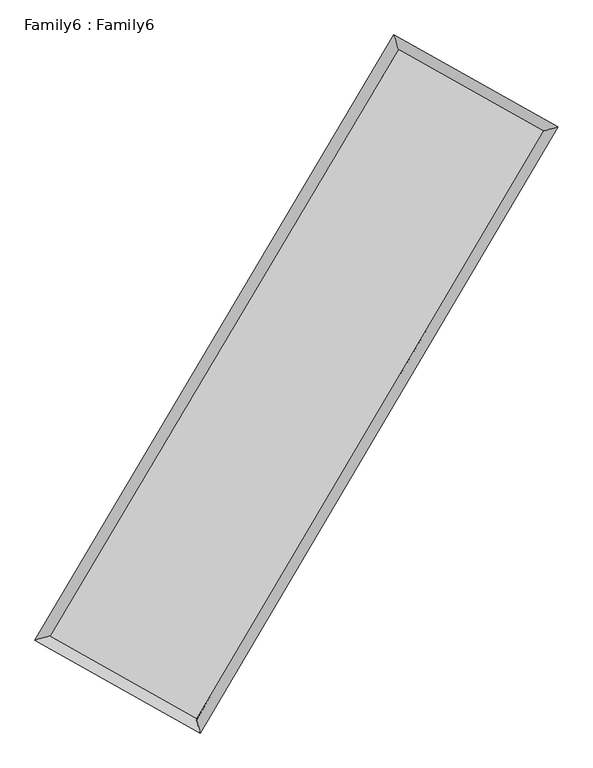
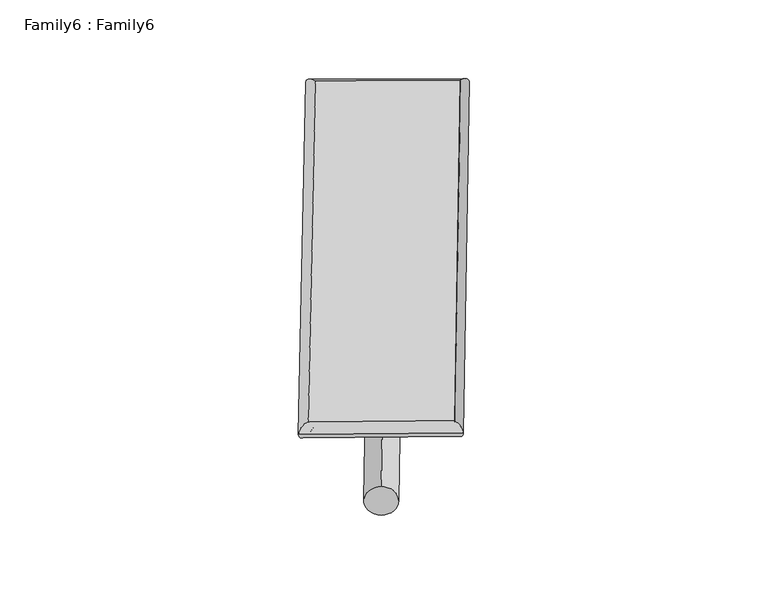
"""IFC4 building model written with IfcOpenShell, lengths in millimetres: plate geometry, Family6 : Family6."""

import ifcopenshell
import ifcopenshell.guid

model = None  # the IFC model being written
_history = None  # IfcOwnerHistory: only IFC2X3 demands one
_inside = {}  # id of a spatial element -> (the spatial element, [elements in it])
_under = {}  # id of a project, library or spatial element -> (it, [spatial elements below it])
_declared = {}  # id of a project -> (the project, [libraries it declares])
_typed = {}  # id of a type object -> (the type object, [elements of that type])
_made_of = {}  # id of a material, layer set ... -> (it, [elements and type objects made of it])


def new_model(schema):
    """Start an empty IFC model of exactly this schema.

    Asked for "IFC4X3", IfcOpenShell would pick the latest addendum, in which some entities
    have other attributes; the version numbers below select the first issue.
    IFC2X3 requires an IfcOwnerHistory on every rooted entity: one is made here for all.
    """
    global model, _history
    if schema == "IFC4X3":
        model = ifcopenshell.file(schema_version=(4, 3, 0, 0))
    else:
        model = ifcopenshell.file(schema=schema)
    _inside.clear()
    _under.clear()
    _declared.clear()
    _typed.clear()
    _made_of.clear()
    _history = None
    if model.schema == "IFC2X3":
        org = make("IfcOrganization", Name="unknown")
        user = make(
            "IfcPersonAndOrganization",
            ThePerson=make("IfcPerson", FamilyName="unknown"),
            TheOrganization=org,
        )
        app = make(
            "IfcApplication",
            ApplicationDeveloper=org,
            Version="unknown",
            ApplicationFullName="unknown",
            ApplicationIdentifier="unknown",
        )
        _history = make(
            "IfcOwnerHistory",
            OwningUser=user,
            OwningApplication=app,
            ChangeAction="ADDED",
            CreationDate=0,
        )
    return model


def make(cls, **values):
    """One entity of the class cls with the attributes given. An attribute that is None is left unset."""
    return model.create_entity(
        cls, **{name: value for name, value in values.items() if value is not None}
    )


def rooted(cls, **values):
    """An entity with a GlobalId (a new one), such as an element, a storey or a relation."""
    return make(cls, GlobalId=ifcopenshell.guid.new(), OwnerHistory=_history, **values)


def si_unit(unit_type, name, prefix=None):
    """IfcSIUnit, for example si_unit("LENGTHUNIT", "METRE", prefix="MILLI")."""
    return make("IfcSIUnit", UnitType=unit_type, Prefix=prefix, Name=name)


def assignment(units):
    """IfcUnitAssignment: the units of a project."""
    return None if units is None else make("IfcUnitAssignment", Units=units)


def point(xyz):
    """IfcCartesianPoint."""
    return None if xyz is None else make("IfcCartesianPoint", Coordinates=xyz)


def direction(xyz):
    """IfcDirection."""
    return None if xyz is None else make("IfcDirection", DirectionRatios=xyz)


def frame(location, z_axis=None, x_axis=None):
    """IfcAxis2Placement3D, a coordinate frame: its origin and axes. An axis left out is left unset."""
    return make(
        "IfcAxis2Placement3D",
        Location=point(location),
        Axis=direction(z_axis),
        RefDirection=direction(x_axis),
    )


def frame_2d(location, x_axis=None):
    """IfcAxis2Placement2D, a coordinate frame in the plane: its origin and x axis."""
    return make(
        "IfcAxis2Placement2D", Location=point(location), RefDirection=direction(x_axis)
    )


def origin():
    """The frame at (0, 0, 0) with its axes left unset."""
    return frame((0.0, 0.0, 0.0))


def origin_2d():
    """The frame at (0, 0) in the plane with its x axis left unset."""
    return frame_2d((0.0, 0.0))


def place(relative_to, where):
    """IfcLocalPlacement: puts the frame where relative to a parent placement (None: the world)."""
    return make(
        "IfcLocalPlacement", PlacementRelTo=relative_to, RelativePlacement=where
    )


def context(
    kind, dimensions, precision=None, world=None, true_north=None, identifier=None
):
    """IfcGeometricRepresentationContext, for example the 3D "Model" context."""
    return make(
        "IfcGeometricRepresentationContext",
        ContextIdentifier=identifier,
        ContextType=kind,
        CoordinateSpaceDimension=dimensions,
        Precision=precision,
        WorldCoordinateSystem=world,
        TrueNorth=true_north,
    )


def project(units=None, contexts=None):
    """IfcProject with its units and contexts."""
    return rooted(
        "IfcProject",
        Name="project",
        RepresentationContexts=contexts,
        UnitsInContext=assignment(units),
    )


def spatial(cls, under=None, at=None, **own):
    """A site, building, storey or space (cls), placed at a placement, below another one or the project."""
    s = rooted(cls, ObjectPlacement=at, **own)
    if under is not None:
        _under.setdefault(under.id(), (under, []))[1].append(s)
    return s


def circle_curve(where, radius):
    """IfcCircle in the frame where."""
    return make("IfcCircle", Position=where, Radius=radius)


def ellipse_curve(where, semi_axis1, semi_axis2):
    """IfcEllipse in the frame where."""
    return make(
        "IfcEllipse", Position=where, SemiAxis1=semi_axis1, SemiAxis2=semi_axis2
    )


def trimmed(basis, trim1, trim2, sense, master):
    """IfcTrimmedCurve: the piece of a basis curve between two trims."""
    return make(
        "IfcTrimmedCurve",
        BasisCurve=basis,
        Trim1=trim1,
        Trim2=trim2,
        SenseAgreement=sense,
        MasterRepresentation=master,
    )


def segment(curve, same_sense, transition):
    """IfcCompositeCurveSegment."""
    return make(
        "IfcCompositeCurveSegment",
        Transition=transition,
        SameSense=same_sense,
        ParentCurve=curve,
    )


def composite_curve(segments, self_intersect=None):
    """IfcCompositeCurve: segments joined end to end."""
    return make("IfcCompositeCurve", Segments=segments, SelfIntersect=self_intersect)


def outline(outer, holes=None, kind="AREA"):
    """IfcArbitraryClosedProfileDef: a profile drawn as a closed curve; with holes, ...WithVoids."""
    if holes is None:
        return make("IfcArbitraryClosedProfileDef", ProfileType=kind, OuterCurve=outer)
    return make(
        "IfcArbitraryProfileDefWithVoids",
        ProfileType=kind,
        OuterCurve=outer,
        InnerCurves=holes,
    )


def extrude(swept, where, along, depth):
    """IfcExtrudedAreaSolid: the profile swept, set in the frame where, extruded along a direction by depth."""
    return make(
        "IfcExtrudedAreaSolid",
        SweptArea=swept,
        Position=where,
        ExtrudedDirection=direction(along),
        Depth=depth,
    )


def shape(context_of_items, identifier, shape_type, items):
    """IfcShapeRepresentation: the items that make up one representation, for example the "Body"."""
    return make(
        "IfcShapeRepresentation",
        ContextOfItems=context_of_items,
        RepresentationIdentifier=identifier,
        RepresentationType=shape_type,
        Items=items,
    )


def source(mapping_origin, context_of_items, identifier, shape_type, items):
    """IfcRepresentationMap: a shape defined once, which mapped items show again and again."""
    return make(
        "IfcRepresentationMap",
        MappingOrigin=mapping_origin,
        MappedRepresentation=shape(context_of_items, identifier, shape_type, items),
    )


def transform(
    local_origin,
    x_axis=None,
    y_axis=None,
    z_axis=None,
    scale=None,
    scale2=None,
    scale3=None,
    uniform=True,
):
    """IfcCartesianTransformationOperator3D, or its non-uniform kind. x_axis, y_axis, z_axis: its Axis1, 2, 3."""
    if uniform:
        return make(
            "IfcCartesianTransformationOperator3D",
            Axis1=direction(x_axis),
            Axis2=direction(y_axis),
            LocalOrigin=point(local_origin),
            Scale=scale,
            Axis3=direction(z_axis),
        )
    return make(
        "IfcCartesianTransformationOperator3DnonUniform",
        Axis1=direction(x_axis),
        Axis2=direction(y_axis),
        LocalOrigin=point(local_origin),
        Scale=scale,
        Axis3=direction(z_axis),
        Scale2=scale2,
        Scale3=scale3,
    )


def mapped(mapping_source, mapping_target):
    """IfcMappedItem: shows the shape of a source again, moved by a transform."""
    return make(
        "IfcMappedItem", MappingSource=mapping_source, MappingTarget=mapping_target
    )


def made_of(thing, what):
    """Note that an element or type object is made of a material, layer set ...; save() writes the relation."""
    if what is not None:
        _made_of.setdefault(what.id(), (what, []))[1].append(thing)
    return thing


def element(
    cls,
    number,
    at=None,
    inside=None,
    cuts=None,
    type_object=None,
    material=None,
    context=None,
    identifier="Body",
    shape_type=None,
    held_by="IfcProductDefinitionShape",
    body=None,
    shapes=None,
    **own,
):
    """One element of the class cls, such as IfcWall. Its Tag is "e" and its number.

    at: its placement. inside: the storey or other place that contains it. cuts: it is an
    opening in that element (IfcRelVoidsElement). A single representation is given by context,
    identifier, shape_type and body (its items); several are given by shapes. held_by: the class
    of the entity that holds the representations. save() writes the other relations.
    """
    e = rooted(cls, Tag="e%d" % number, ObjectPlacement=at, **own)
    if body is not None:
        shapes = [shape(context, identifier, shape_type, body)]
    if shapes is not None:
        e.Representation = make(held_by, Representations=shapes)
    if inside is not None:
        _inside.setdefault(inside.id(), (inside, []))[1].append(e)
    if cuts is not None:
        rooted(
            "IfcRelVoidsElement", RelatingBuildingElement=cuts, RelatedOpeningElement=e
        )
    if type_object is not None:
        _typed.setdefault(type_object.id(), (type_object, []))[1].append(e)
    return made_of(e, material)


def aggregate(whole, parts):
    """IfcRelAggregates: a whole, such as a stair, and the parts it consists of."""
    return rooted("IfcRelAggregates", RelatingObject=whole, RelatedObjects=parts)


def save(model, path):
    """Write the relations noted so far, then the file.

    IfcRelAggregates (storeys below a building ...), IfcRelContainedInSpatialStructure (elements
    in a storey), IfcRelDefinesByType, IfcRelAssociatesMaterial and IfcRelDeclares: one each for
    every whole, place, type object, material and project.
    """
    for whole, parts in _under.values():
        aggregate(whole, parts)
    for where, things in _inside.values():
        rooted(
            "IfcRelContainedInSpatialStructure",
            RelatedElements=things,
            RelatingStructure=where,
        )
    for kind, things in _typed.values():
        rooted("IfcRelDefinesByType", RelatedObjects=things, RelatingType=kind)
    for what, things in _made_of.values():
        rooted("IfcRelAssociatesMaterial", RelatedObjects=things, RelatingMaterial=what)
    for by, libraries in _declared.values():
        rooted("IfcRelDeclares", RelatingContext=by, RelatedDefinitions=libraries)
    model.write(path)


def plane_surface(at):
    """IfcPlane: the flat surface through the origin of the frame at, square to its z axis."""
    return make("IfcPlane", Position=at)


def cylinder_surface(at, radius):
    """IfcCylindricalSurface: all points at the distance radius from the z axis of the frame at."""
    return make("IfcCylindricalSurface", Position=at, Radius=radius)


def spline_surface(u_degree, v_degree, points, u_multiplicities, v_multiplicities, u_knots, v_knots, weights=None):
    """IfcBSplineSurfaceWithKnots; with weights, IfcRationalBSplineSurfaceWithKnots. points: one row for each step in u."""
    own = dict(
        UDegree=u_degree,
        VDegree=v_degree,
        ControlPointsList=[[point(p) for p in row] for row in points],
        SurfaceForm="UNSPECIFIED",
        UClosed=False,
        VClosed=False,
        SelfIntersect=False,
        UMultiplicities=u_multiplicities,
        VMultiplicities=v_multiplicities,
        UKnots=u_knots,
        VKnots=v_knots,
        KnotSpec="UNSPECIFIED",
    )
    if weights is None:
        return make("IfcBSplineSurfaceWithKnots", **own)
    return make("IfcRationalBSplineSurfaceWithKnots", WeightsData=weights, **own)


def advanced_brep(points, edges, surfaces, faces):
    """IfcAdvancedBrep: a solid bounded by faces that lie on surfaces and meet in shared edges.

    An edge is (start, end): straight between two places in points (the first is 0);
    or (start, end, curve); or (start, end, curve, False) where it runs against its curve.
    A face is (place in surfaces, loops), or (place, loops, False) where it looks against
    its surface's normal. A loop lists edges by number (the first is 1), with a minus sign
    where the edge is run from its end to its start. The first loop is the outer one.
    """
    corners = [point(p) for p in points]
    vertices = [make("IfcVertexPoint", VertexGeometry=c) for c in corners]
    made = []
    for start, end, *more in edges:
        made.append(
            make(
                "IfcEdgeCurve",
                EdgeStart=vertices[start],
                EdgeEnd=vertices[end],
                EdgeGeometry=more[0] if more else make("IfcPolyline", Points=[corners[start], corners[end]]),
                SameSense=more[1] if len(more) > 1 else True,
            )
        )
    hull = []
    for where, loops, *sense in faces:
        bounds = []
        for j, loop in enumerate(loops):
            ring = [make("IfcOrientedEdge", EdgeElement=made[abs(k) - 1], Orientation=k > 0) for k in loop]
            bounds.append(
                make(
                    "IfcFaceOuterBound" if j == 0 else "IfcFaceBound",
                    Bound=make("IfcEdgeLoop", EdgeList=ring),
                    Orientation=True,
                )
            )
        hull.append(make("IfcAdvancedFace", Bounds=bounds, FaceSurface=surfaces[where], SameSense=sense[0] if sense else True))
    return make("IfcAdvancedBrep", Outer=make("IfcClosedShell", CfsFaces=hull))


def family6_family6_f48e9bb8(model_context):
    return source(origin(), model_context, "Body", "SolidModel", [
        extrude(outline(composite_curve([segment(trimmed(circle_curve(origin_2d(), 76.2), [point((-75.4341514, -10.7763074))], [point((75.4341514, 10.7763074))], False, "CARTESIAN"), True, "CONTINUOUS"), segment(trimmed(circle_curve(origin_2d(), 76.2), [point((75.4341514, 10.7763074))], [point((-75.4341514, -10.7763074))], False, "CARTESIAN"), True, "CONTINUOUS")], self_intersect=False)), frame((9144.0, 9144.0, 0.0), z_axis=(0.6727086735267099, 0.6883674395872449, 0.2713177264353274), x_axis=(-0.6801786883728584, 0.7196633412804042, -0.13943323527947965)), (0.0, 0.0, 1.0), 5591.9315874),
        extrude(outline(composite_curve([segment(trimmed(circle_curve(origin_2d(), 76.2), [point((-53.8815367, 53.8815367))], [point((53.8815367, -53.8815367))], False, "CARTESIAN"), True, "CONTINUOUS"), segment(trimmed(circle_curve(origin_2d(), 76.2), [point((53.8815367, -53.8815367))], [point((-53.8815367, 53.8815367))], False, "CARTESIAN"), True, "CONTINUOUS")], self_intersect=False)), frame((9144.0, 9144.0, 0.0), z_axis=(-0.6742892150955087, -0.6868445966295309, 0.2712536718400325), x_axis=(0.6399916195630572, -0.3602581391339879, 0.67869345073956)), (0.0, 0.0, 1.0), 5593.6523364),
        extrude(outline(composite_curve([segment(trimmed(circle_curve(origin_2d(), 76.2), [point((-53.8815367, -53.8815368))], [point((53.8815367, 53.8815368))], False, "CARTESIAN"), True, "CONTINUOUS"), segment(trimmed(circle_curve(origin_2d(), 76.2), [point((53.8815367, 53.8815368))], [point((-53.8815367, -53.8815368))], False, "CARTESIAN"), True, "CONTINUOUS")], self_intersect=False)), frame((9144.0, 9144.0, 0.0), z_axis=(0.2769701229421451, 0.9204903202934385, 0.27565398825973175), x_axis=(-0.8396835821818613, 0.3713303613910087, -0.39628934444854835)), (0.0, 0.0, 1.0), 5541.5574849),
        extrude(outline(composite_curve([segment(trimmed(circle_curve(origin_2d(), 76.2), [point((-75.4341514, 10.7763073))], [point((75.4341514, -10.7763073))], False, "CARTESIAN"), True, "CONTINUOUS"), segment(trimmed(circle_curve(origin_2d(), 76.2), [point((75.4341514, -10.7763073))], [point((-75.4341514, 10.7763073))], False, "CARTESIAN"), True, "CONTINUOUS")], self_intersect=False)), frame((9144.0, 9144.0, 0.0), z_axis=(-0.2748896520748817, -0.9211589122531145, 0.27550306270313896), x_axis=(0.8781735290420383, -0.12387878909454224, 0.4620230497521983)), (0.0, 0.0, 1.0), 5544.8126226),
        advanced_brep(
        [(5161.6505421, 5245.7379506, 1518.119172), (5582.8743082, 5358.3274083, 1518.3278861), (5582.870571, 5358.322284, 1516.4782985), (10733.9412908, 14039.1613295, 1526.431491), (10623.750425, 14450.7387189, 1528.6733527), (5161.6468049, 5245.7328263, 1516.2695844), (12695.3848708, 12936.7143075, 1517.3044407), (13116.0968904, 13049.8929508, 1517.0758886), (7564.4417803, 4242.4179283, 1527.4214925), (7675.1349944, 3830.2749435, 1527.8042268)],
        [
            (0, 1, ellipse_curve(frame((5372.2605566, 5302.0301173, 1517.2987352), z_axis=(-0.258224417224906, 0.966082557205715, -0.0021547648883834323), x_axis=(-0.9660769925682284, -0.2582307037570561, -0.0034854077900265054)), 218.0107162, 152.4)),
            (1, 2, ellipse_curve(frame((5372.2605566, 5302.0301173, 1517.2987352), z_axis=(-0.258224417224906, 0.966082557205715, -0.0021547648883834323), x_axis=(-0.9660769925682284, -0.2582307037570561, -0.0034854077900265054)), 218.0107162, 152.4)),
            (2, 3),
            (3, 4, ellipse_curve(frame((10678.8458579, 14244.9500242, 1527.5524219), z_axis=(-0.9659740342196611, -0.2586301604193725, 0.0021460043901787946), x_axis=(0.2586215927898723, -0.9659719732438519, -0.003608136667119301)), 213.0395937, 152.4)),
            (4, 0),
            (2, 5, ellipse_curve(frame((5372.2605566, 5302.0301173, 1517.2987352), z_axis=(-0.258224417224906, 0.966082557205715, -0.0021547648883834323), x_axis=(-0.9660769925682284, -0.2582307037570561, -0.0034854077900265054)), 218.0107162, 152.4)),
            (5, 0, ellipse_curve(frame((5372.2605566, 5302.0301173, 1517.2987352), z_axis=(-0.258224417224906, 0.966082557205715, -0.0021547648883834323), x_axis=(-0.9660769925682284, -0.2582307037570561, -0.0034854077900265054)), 218.0107162, 152.4)),
            (4, 3, ellipse_curve(frame((10678.8458579, 14244.9500242, 1527.5524219), z_axis=(-0.9659740342196611, -0.2586301604193725, 0.0021460043901787946), x_axis=(0.2586215927898723, -0.9659719732438519, -0.003608136667119301)), 213.0395937, 152.4)),
            (3, 6),
            (6, 7, ellipse_curve(frame((12905.7408806, 12993.3036292, 1517.1901647), z_axis=(-0.25977917522512983, 0.9656655815829276, 0.0021828113655149918), x_axis=(-0.9656598249421021, -0.25978562797687665, 0.003539772513642373)), 217.8358676, 152.4)),
            (7, 4),
            (7, 6, ellipse_curve(frame((12905.7408806, 12993.3036292, 1517.1901647), z_axis=(-0.25977917522512983, 0.9656655815829276, 0.0021828113655149918), x_axis=(-0.9656598249421021, -0.25978562797687665, 0.003539772513642373)), 217.8358676, 152.4)),
            (6, 8),
            (8, 9, ellipse_curve(frame((7619.7883873, 4036.3464359, 1527.6128597), z_axis=(0.9657708292362815, 0.2593883288421227, 0.00209767889723565), x_axis=(-0.2593800069517351, 0.9657687350740802, -0.0035724427397649267)), 213.3753887, 152.4)),
            (9, 7),
            (9, 8, ellipse_curve(frame((7619.7883873, 4036.3464359, 1527.6128597), z_axis=(0.9657708292362815, 0.2593883288421227, 0.00209767889723565), x_axis=(-0.2593800069517351, 0.9657687350740802, -0.0035724427397649267)), 213.3753887, 152.4)),
            (8, 1),
            (5, 9),
        ],
        [
            cylinder_surface(frame((5372.2605566, 5302.0301173, 1517.2987352), z_axis=(-0.5103057511901337, -0.8599924813762716, -0.000986041863646254), x_axis=(-0.8599785467707695, 0.5102901536991206, 0.006392036589664137)), 152.4),
            cylinder_surface(frame((10678.8458579, 14244.9500242, 1527.5524219), z_axis=(-0.8717325852979875, 0.48996514729747087, 0.004056373189782577), x_axis=(0.48997835595285383, 0.8717279956517707, 0.0033929772597336536)), 152.4),
            cylinder_surface(frame((12905.7408806, 12993.3036292, 1517.1901647), z_axis=(0.5082447287060433, 0.8612121059600362, -0.0010021429039716344), x_axis=(0.8612126455494773, -0.5082447287060433, 0.00027365706827434333)), 152.4),
            cylinder_surface(frame((7619.7883873, 4036.3464359, 1527.6128597), z_axis=(0.871328382242812, -0.49068407494927263, 0.003998610921461465), x_axis=(-0.4906769810479034, -0.8713374836398369, -0.002662681714444579)), 152.4),
        ],
        [
            (0, [[1, 2, 3, 4, 5]]),
            (0, [[6, 7, -5, 8, -3]]),
            (1, [[-4, 9, 10, 11]]),
            (1, [[-8, -11, 12, -9]]),
            (2, [[-10, 13, 14, 15]]),
            (2, [[-12, -15, 16, -13]]),
            (3, [[-14, 17, -1, -7, 18]]),
            (3, [[-16, -18, -6, -2, -17]]),
        ],
    ),
        extrude(outline(composite_curve([segment(trimmed(circle_curve(origin_2d(), 304.8), [point((1e-07, -304.8))], [point((1e-07, 304.8))], False, "CARTESIAN"), True, "CONTINUOUS"), segment(trimmed(circle_curve(origin_2d(), 304.8), [point((1e-07, 304.8))], [point((1e-07, -304.8))], False, "CARTESIAN"), True, "CONTINUOUS")], self_intersect=False)), frame((6489.3150619, 4644.8910937, -0.0003865), z_axis=(0.5081787782447671, 0.8612516062926387, 7.399207376380185e-08), x_axis=(-0.8612516062926416, 0.5081787782447671, 2.0202105678759905e-08)), (0.0, 0.0, 1.0), 10447.8386418),
        advanced_brep(
        [(5372.2605566, 5302.0301173, 1517.2987352), (7619.7883873, 4036.3464359, 1527.6128597), (7619.7876685, 4036.3483181, 1680.0128596), (5372.2598377, 5302.0319995, 1669.6987352), (12905.7408806, 12993.3036292, 1517.1901647), (12905.7401618, 12993.3055114, 1669.5901647), (10678.8458579, 14244.9500242, 1527.5524219), (10678.8451391, 14244.9519064, 1679.9524219)],
        [
            (0, 1),
            (1, 2),
            (2, 3),
            (3, 0),
            (1, 4),
            (4, 5),
            (5, 2),
            (4, 6),
            (6, 7),
            (7, 5),
            (6, 0),
            (3, 7),
        ],
        [
            plane_surface(frame((6496.024472, 4669.1882766, 1522.4557975), z_axis=(-0.49068802715667403, -0.8713353315077595, 8.447143245044267e-06), x_axis=(0.871328382242812, -0.4906840749492723, 0.003998610921461464))),
            plane_surface(frame((10262.764634, 8514.8250325, 1522.4015122), z_axis=(0.8612125436339522, -0.5082449749684103, 1.0339173126196915e-05), x_axis=(0.5082447287060432, 0.8612121059600363, -0.0010021429039716355))),
            plane_surface(frame((11792.2933692, 13619.1268267, 1522.3712933), z_axis=(0.489969148413154, 0.8717397739760377, -8.455529054859695e-06), x_axis=(-0.8717325852979875, 0.48996514729747104, 0.004056373189782577))),
            plane_surface(frame((8025.5532072, 9773.4900708, 1522.4255786), z_axis=(-0.8599928941941457, 0.5103060080268221, -1.0358875552086912e-05), x_axis=(-0.5103057511901342, -0.8599924813762713, -0.0009860418636462522))),
            spline_surface(1, 1, [[(7619.7876685, 4036.3483181, 1680.0128596), (5372.2598377, 5302.0319995, 1669.6987352)], [(12905.7401618, 12993.3055114, 1669.5901647), (10678.8451391, 14244.9519064, 1679.9524219)]], [2, 2], [2, 2], [0.0, 1.0], [0.0, 1.0]),
            spline_surface(1, 1, [[(10678.8458579, 14244.9500242, 1527.5524219), (5372.2605566, 5302.0301173, 1517.2987352)], [(12905.7408806, 12993.3036292, 1517.1901647), (7619.7883873, 4036.3464359, 1527.6128597)]], [2, 2], [2, 2], [0.0, 1.0], [0.0, 1.0]),
        ],
        [
            (0, [[1, 2, 3, 4]]),
            (1, [[5, 6, 7, -2]]),
            (2, [[8, 9, 10, -6]]),
            (3, [[11, -4, 12, -9]]),
            (4, [[-3, -7, -10, -12]]),
            (5, [[-11, -8, -5, -1]]),
        ],
    ),
    ])


if __name__ == "__main__":
    model = new_model("IFC4")
    model_context = context("Model", 3, world=origin())
    ifc_project = project(units=[si_unit("LENGTHUNIT", "METRE", prefix="MILLI")], contexts=[model_context])
    site = spatial("IfcSite", under=ifc_project)
    building = spatial("IfcBuilding", under=site)
    placement = place(None, origin())
    family6_family6_shape = family6_family6_f48e9bb8(model_context)
    element("IfcPlate", 1, ObjectType="Family6 : Family6", at=placement, inside=building, context=model_context, shape_type="MappedRepresentation", body=[
        mapped(family6_family6_shape, transform((0.0, 0.0, 0.0), x_axis=(1.0, 0.0, 0.0), y_axis=(0.0, 1.0, 0.0), z_axis=(0.0, 0.0, 1.0))),
    ])
    save(model, "model.ifc")
